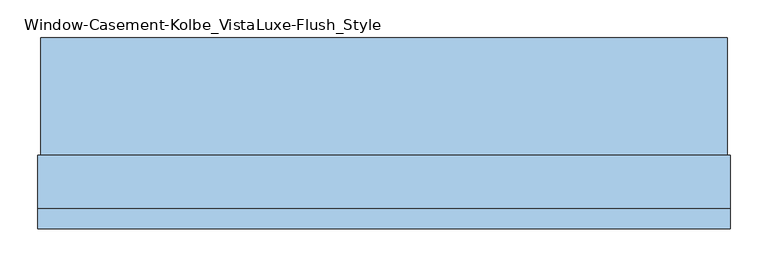
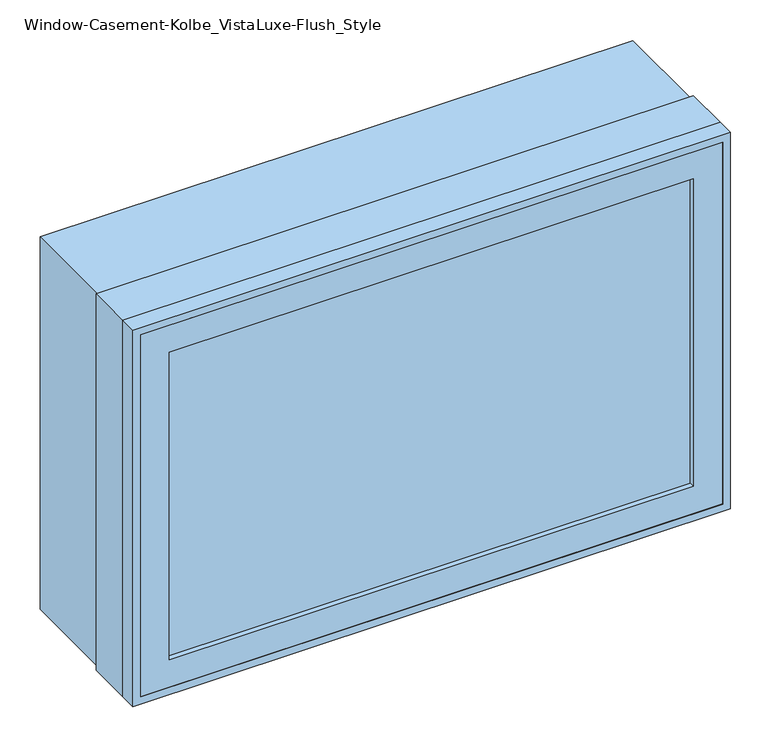
"""IFC4 building model written with IfcOpenShell, lengths in millimetres: window geometry, Window-Casement-Kolbe_VistaLuxe-Flush_Style."""

from ifc_helpers import new_model, si_unit, frame, origin, place, context, project, spatial, polyline, outline, extrude, faceted_brep, source, transform, mapped, element, save


def window_casement_kolbe_vistaluxe_flush_style_13139c11(model_context):
    return source(origin(), model_context, "Body", "SolidModel", [
        faceted_brep([(-406.4696599, -130.90398, 970.676875), (-406.4696599, -138.84148, 970.676875), (395.3765901, -138.84148, 970.676875), (395.3765901, -130.90398, 970.676875), (-422.3446599, -108.65358, 954.801875), (-422.3446599, -130.90398, 954.801875), (411.2515901, -130.90398, 954.801875), (411.2515901, -108.65358, 954.801875), (-406.4696599, -89.62898, 970.676875), (-406.4696599, -108.65358, 970.676875), (395.3765901, -108.65358, 970.676875), (395.3765901, -89.62898, 970.676875), (-450.9196599, -138.84148, 926.226875), (-450.9196599, -89.62898, 926.226875), (439.8265901, -89.62898, 926.226875), (439.8265901, -138.84148, 926.226875), (395.3765901, -138.84148, 1467.723125), (395.3765901, -130.90398, 1467.723125), (411.2515901, -130.90398, 1483.598125), (411.2515901, -108.65358, 1483.598125), (395.3765901, -108.65358, 1467.723125), (395.3765901, -89.62898, 1467.723125), (439.8265901, -89.62898, 1512.173125), (439.8265901, -138.84148, 1512.173125), (-406.4696599, -138.84148, 1467.723125), (-406.4696599, -130.90398, 1467.723125), (-422.3446599, -130.90398, 1483.598125), (-422.3446599, -108.65358, 1483.598125), (-406.4696599, -108.65358, 1467.723125), (-406.4696599, -89.62898, 1467.723125), (-450.9196599, -89.62898, 1512.173125), (-450.9196599, -138.84148, 1512.173125)], [[[0, 1, 2, 3]], [[4, 5, 6, 7]], [[8, 9, 10, 11]], [[12, 13, 14, 15]], [[3, 2, 16, 17]], [[7, 6, 18, 19]], [[11, 10, 20, 21]], [[15, 14, 22, 23]], [[17, 16, 24, 25]], [[19, 18, 26, 27]], [[21, 20, 28, 29]], [[23, 22, 30, 31]], [[25, 24, 1, 0]], [[5, 26, 18, 6], [3, 17, 25, 0]], [[27, 26, 5, 4]], [[7, 19, 27, 4], [9, 28, 20, 10]], [[29, 28, 9, 8]], [[13, 30, 22, 14], [11, 21, 29, 8]], [[31, 30, 13, 12]], [[15, 23, 31, 12], [1, 24, 16, 2]]]),
        extrude(outline(polyline([(1520.4186, 448.0720651), (1520.4186, -459.1651349), (917.9814, -459.1651349), (917.9814, 448.0720651), (1520.4186, 448.0720651)]), holes=[polyline([(936.545625, 429.5078401), (936.545625, -440.6009099), (1501.854375, -440.6009099), (1501.854375, 429.5078401), (936.545625, 429.5078401)])]), frame((0.0, -42.0497, 0.0), z_axis=(0.0, 1.0, 0.0), x_axis=(0.0, 0.0, 1.0)), (0.0, 0.0, 1.0), 154.7622),
        extrude(outline(polyline([(1524.0, -462.7465349), (914.4, -462.7465349), (914.4, 451.6534651), (1524.0, 451.6534651), (1524.0, -462.7465349)]), holes=[polyline([(1512.173125, 439.8265901), (926.226875, 439.8265901), (926.226875, -450.9196599), (1512.173125, -450.9196599), (1512.173125, 439.8265901)])]), frame((0.0, -139.6365, 0.0), z_axis=(0.0, 1.0, 0.0), x_axis=(0.0, 0.0, 1.0)), (0.0, 0.0, 1.0), 26.924),
        faceted_brep([(451.6534651, -42.0497, 914.4), (451.6534651, -112.7125, 914.4), (-462.7465349, -112.7125, 914.4), (-462.7465349, -42.0497, 914.4), (429.5078401, -89.63025, 936.545625), (429.5078401, -42.0497, 936.545625), (-440.6009099, -42.0497, 936.545625), (-440.6009099, -89.63025, 936.545625), (439.8265901, -112.7125, 926.226875), (439.8265901, -89.63025, 926.226875), (-450.9196599, -89.63025, 926.226875), (-450.9196599, -112.7125, 926.226875), (-462.7465349, -112.7125, 1524.0), (-462.7465349, -42.0497, 1524.0), (-440.6009099, -42.0497, 1501.854375), (-440.6009099, -89.63025, 1501.854375), (-450.9196599, -89.63025, 1512.173125), (-450.9196599, -112.7125, 1512.173125), (451.6534651, -112.7125, 1524.0), (451.6534651, -42.0497, 1524.0), (429.5078401, -42.0497, 1501.854375), (429.5078401, -89.63025, 1501.854375), (439.8265901, -89.63025, 1512.173125), (439.8265901, -112.7125, 1512.173125)], [[[0, 1, 2, 3]], [[4, 5, 6, 7]], [[8, 9, 10, 11]], [[3, 2, 12, 13]], [[7, 6, 14, 15]], [[11, 10, 16, 17]], [[13, 12, 18, 19]], [[15, 14, 20, 21]], [[17, 16, 22, 23]], [[19, 18, 1, 0]], [[3, 13, 19, 0], [5, 20, 14, 6]], [[21, 20, 5, 4]], [[9, 22, 16, 10], [7, 15, 21, 4]], [[23, 22, 9, 8]], [[1, 18, 12, 2], [11, 17, 23, 8]]]),
        extrude(outline(polyline([(408.0765901, -111.82858), (-419.1696599, -111.82858), (-419.1696599, -108.65358), (408.0765901, -108.65358), (408.0765901, -111.82858)])), frame((0.0, 0.0, 957.976875), z_axis=(0.0, 0.0, 1.0), x_axis=(1.0, 0.0, 0.0)), (0.0, 0.0, 1.0), 522.44625),
        extrude(outline(polyline([(408.0765901, -127.72898), (408.0765901, -130.90398), (-419.1696599, -130.90398), (-419.1696599, -127.72898), (408.0765901, -127.72898)])), frame((0.0, 0.0, 957.976875), z_axis=(0.0, 0.0, 1.0), x_axis=(1.0, 0.0, 0.0)), (0.0, 0.0, 1.0), 522.44625),
        extrude(outline(polyline([(936.545625, 429.5078401), (1501.854375, 429.5078401), (1501.854375, -440.6009099), (936.545625, -440.6009099), (936.545625, 429.5078401)]), holes=[polyline([(954.801875, -422.3446599), (1483.598125, -422.3446599), (1483.598125, 411.2515901), (954.801875, 411.2515901), (954.801875, -422.3446599)])]), frame((0.0, -89.63025, 0.0), z_axis=(0.0, 1.0, 0.0), x_axis=(0.0, 0.0, 1.0)), (0.0, 0.0, 1.0), 50.8),
    ])


if __name__ == "__main__":
    model = new_model("IFC4")
    model_context = context("Model", 3, world=origin())
    ifc_project = project(units=[si_unit("LENGTHUNIT", "METRE", prefix="MILLI")], contexts=[model_context])
    site = spatial("IfcSite", under=ifc_project)
    building = spatial("IfcBuilding", under=site)
    placement = place(None, origin())
    window_casement_kolbe_vistaluxe_flush_style_shape = window_casement_kolbe_vistaluxe_flush_style_13139c11(model_context)
    element("IfcWindow", 1, ObjectType="Window-Casement-Kolbe_VistaLuxe-Flush_Style", at=placement, inside=building, context=model_context, shape_type="MappedRepresentation", body=[
        mapped(window_casement_kolbe_vistaluxe_flush_style_shape, transform((0.0, 0.0, 0.0), x_axis=(1.0, 0.0, 0.0), y_axis=(0.0, 1.0, 0.0), z_axis=(0.0, 0.0, 1.0))),
    ])
    save(model, "model.ifc")
